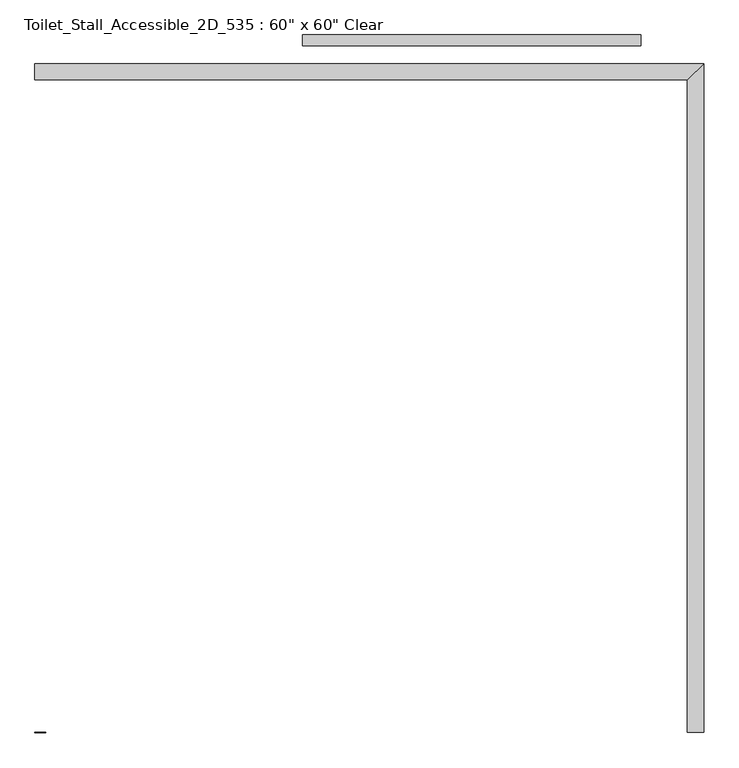
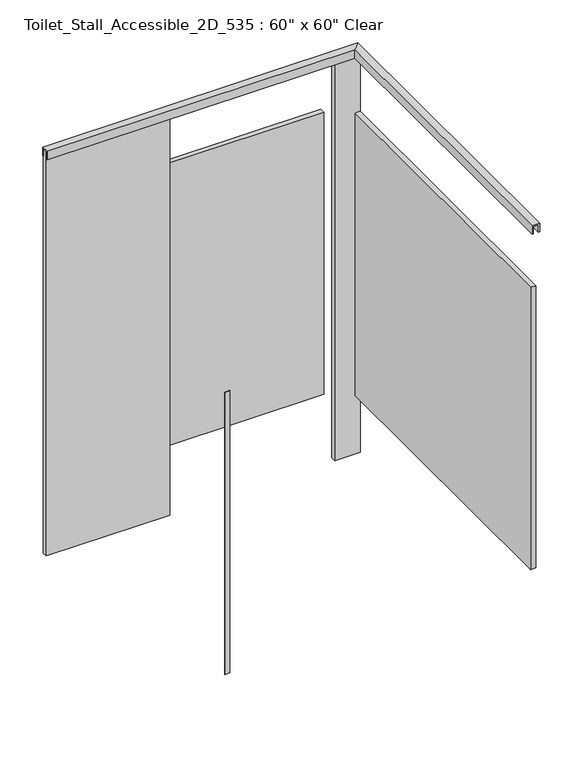
"""IFC4 building model written with IfcOpenShell, lengths in millimetres: proxy geometry."""

from ifc_helpers import new_model, si_unit, frame, origin, origin_with_axes, place, context, project, spatial, polyline, outline, extrude, faceted_brep, source, transform, mapped, element, save


def proxy_a5af2ff0(model_context):
    return source(origin(), model_context, "Body", "SolidModel", [
        extrude(outline(polyline([(2881.4031538, 1662.1125), (2881.4031538, 1636.7125), (2094.0031538, 1636.7125), (2094.0031538, 1662.1125), (2881.4031538, 1662.1125)])), frame((0.0, 0.0, 304.8), z_axis=(0.0, 0.0, 1.0), x_axis=(1.0, 0.0, 0.0)), (0.0, 0.0, 1.0), 1473.2),
        faceted_brep([(1471.7031538, 1589.0875, 2108.2), (1471.7031538, 1563.6875, 2108.2), (1471.7031538, 1563.6875, 2070.1), (1471.7031538, 1557.3375, 2070.1), (1471.7031538, 1557.3375, 2114.55), (1471.7031538, 1595.4375, 2114.55), (1471.7031538, 1595.4375, 2070.1), (1471.7031538, 1589.0875, 2070.1), (3021.1031538, 1589.0875, 2108.2), (2995.7031538, 1563.6875, 2108.2), (2995.7031538, 1563.6875, 2070.1), (2989.3531538, 1557.3375, 2070.1), (2989.3531538, 1557.3375, 2114.55), (3027.4531538, 1595.4375, 2114.55), (3027.4531538, 1595.4375, 2070.1), (3021.1031538, 1589.0875, 2070.1), (3021.1031538, 41.275, 2108.2), (3021.1031538, 41.275, 2070.1), (3027.4531538, 41.275, 2070.1), (3027.4531538, 41.275, 2114.55), (2989.3531538, 41.275, 2114.55), (2989.3531538, 41.275, 2070.1), (2995.7031538, 41.275, 2070.1), (2995.7031538, 41.275, 2108.2)], [[[0, 1, 2, 3, 4, 5, 6, 7]], [[1, 0, 8, 9]], [[2, 1, 9, 10]], [[3, 2, 10, 11]], [[4, 3, 11, 12]], [[5, 4, 12, 13]], [[6, 5, 13, 14]], [[7, 6, 14, 15]], [[0, 7, 15, 8]], [[16, 17, 18, 19, 20, 21, 22, 23]], [[9, 8, 16, 23]], [[10, 9, 23, 22]], [[11, 10, 22, 21]], [[12, 11, 21, 20]], [[13, 12, 20, 19]], [[14, 13, 19, 18]], [[15, 14, 18, 17]], [[8, 15, 17, 16]]]),
        extrude(outline(polyline([(2995.7031538, 1587.5), (3021.1031538, 1587.5), (3021.1031538, 63.5), (2995.7031538, 63.5), (2995.7031538, 1587.5)])), frame((0.0, 0.0, 304.8), z_axis=(0.0, 0.0, 1.0), x_axis=(1.0, 0.0, 0.0)), (0.0, 0.0, 1.0), 1473.2),
        extrude(outline(polyline([(2081.3031538, 1589.0875), (2081.3031538, 1563.6875), (1471.7031538, 1563.6875), (1471.7031538, 1589.0875), (2081.3031538, 1589.0875)])), origin_with_axes(), (0.0, 0.0, 1.0), 2108.2),
        extrude(outline(polyline([(3021.1031538, 1589.0875), (3021.1031538, 1563.6875), (2894.1031538, 1563.6875), (2894.1031538, 1589.0875), (3021.1031538, 1589.0875)])), origin_with_axes(), (0.0, 0.0, 1.0), 2108.2),
        extrude(outline(polyline([(1471.7031538, 41.275), (1497.1031538, 41.275), (1497.1031538, 39.6875), (1471.7031538, 39.6875), (1471.7031538, 41.275)])), frame((0.0, 0.0, 304.8), z_axis=(0.0, 0.0, 1.0), x_axis=(1.0, 0.0, 0.0)), (0.0, 0.0, 1.0), 1473.2),
    ])


if __name__ == "__main__":
    model = new_model("IFC4")
    model_context = context("Model", 3, world=origin())
    ifc_project = project(units=[si_unit("LENGTHUNIT", "METRE", prefix="MILLI")], contexts=[model_context])
    site = spatial("IfcSite", under=ifc_project)
    building = spatial("IfcBuilding", under=site)
    placement = place(None, origin())
    proxy_shape = proxy_a5af2ff0(model_context)
    element("IfcBuildingElementProxy", 1, Name="Toilet_Stall_Accessible_2D_535 : 60\" x 60\" Clear", ObjectType="Toilet_Stall_Accessible_2D_535 : 60\" x 60\" Clear", at=placement, inside=building, context=model_context, shape_type="MappedRepresentation", body=[
        mapped(proxy_shape, transform((0.0, 0.0, 0.0), x_axis=(1.0, 0.0, 0.0), y_axis=(0.0, 1.0, 0.0), z_axis=(0.0, 0.0, 1.0))),
    ])
    save(model, "model.ifc")
